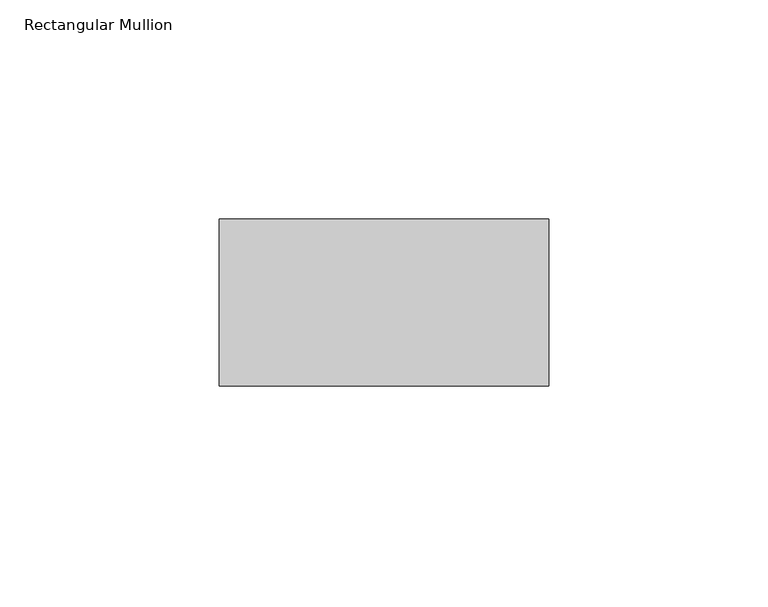
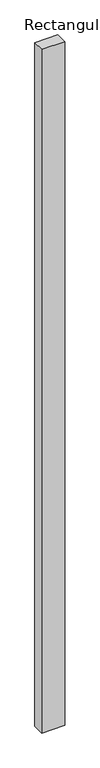
"""IFC4 building model written with IfcOpenShell, lengths in millimetres: member geometry, Rectangular Mullion."""

from ifc_helpers import new_model, si_unit, frame, origin, place, context, project, spatial, polyline, outline, extrude, source, transform, mapped, element, save


def rectangular_mullion_a33d9337(model_context):
    return source(origin(), model_context, "Body", "SweptSolid", [
        extrude(outline(polyline([(0.0, 58.0), (0.0, 20.0), (-75.0, 20.0), (-75.0, 58.0), (0.0, 58.0)])), frame((0.0, 0.0, -2360.0), z_axis=(0.0, 0.0, 1.0), x_axis=(1.0, 0.0, 0.0)), (0.0, 0.0, 1.0), 2360.0),
    ])


if __name__ == "__main__":
    model = new_model("IFC4")
    model_context = context("Model", 3, world=origin())
    ifc_project = project(units=[si_unit("LENGTHUNIT", "METRE", prefix="MILLI")], contexts=[model_context])
    site = spatial("IfcSite", under=ifc_project)
    building = spatial("IfcBuilding", under=site)
    placement = place(None, origin())
    rectangular_mullion_shape = rectangular_mullion_a33d9337(model_context)
    element("IfcMember", 1, ObjectType="Rectangular Mullion", at=placement, inside=building, context=model_context, shape_type="MappedRepresentation", body=[
        mapped(rectangular_mullion_shape, transform((0.0, 0.0, 0.0), x_axis=(1.0, 0.0, 0.0), y_axis=(0.0, 1.0, 0.0), z_axis=(0.0, 0.0, 1.0))),
    ])
    save(model, "model.ifc")
